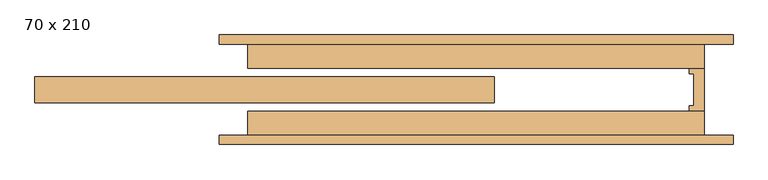
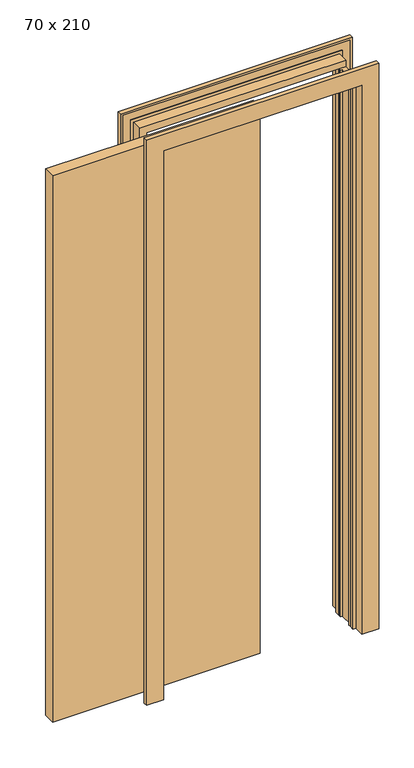
"""IFC4 building model written with IfcOpenShell, lengths in millimetres: door geometry, 70 x 210."""

from ifc_helpers import new_model, si_unit, origin, origin_with_axes, place, context, project, spatial, polyline, outline, extrude, faceted_brep, source, transform, mapped, element, save


def door_70_x_210_4cb7cccc(model_context):
    return source(origin(), model_context, "Body", "SolidModel", [
        extrude(outline(polyline([(12.8380093, 21.5), (12.8380093, -21.5), (-742.1619907, -21.5), (-742.1619907, 21.5), (12.8380093, 21.5)])), origin_with_axes(), (0.0, 0.0, 1.0), 2100.0),
        extrude(outline(polyline([(357.8380093, 35.0), (357.8380093, -35.0), (332.8380093, -35.0), (332.8380093, -26.0), (340.3380093, -26.0), (340.3380093, 26.0), (332.8380093, 26.0), (332.8380093, 35.0), (357.8380093, 35.0)])), origin_with_axes(), (0.0, 0.0, 1.0), 2100.0),
        faceted_brep([(-439.1619907, -90.0, 0.0), (-439.1619907, -75.0, 0.0), (-432.1679189, -75.0, 0.0), (-432.1679189, -78.0, 0.0), (-402.1619907, -78.0, 0.0), (-402.1619907, -75.0, 0.0), (-392.1619907, -75.0, 0.0), (-392.1619907, -35.0, 0.0), (-367.1619907, -35.0, 0.0), (-367.1619907, -53.5, 0.0), (-377.1619907, -53.5, 0.0), (-377.1619907, -90.0, 0.0), (-439.1619907, -90.0, 2172.0), (-439.1619907, -75.0, 2172.0), (404.8380093, -75.0, 2172.0), (404.8380093, -75.0, 0.0), (397.8439376, -75.0, 0.0), (397.8439376, -75.0, 2165.0059283), (-432.1679189, -75.0, 2165.0059283), (-432.1679189, -78.0, 2165.0059283), (397.8439376, -78.0, 2165.0059283), (397.8439376, -78.0, 0.0), (367.8380093, -78.0, 0.0), (367.8380093, -78.0, 2135.0), (-402.1619907, -78.0, 2135.0), (-402.1619907, -75.0, 2135.0), (367.8380093, -75.0, 2135.0), (367.8380093, -75.0, 0.0), (357.8380093, -75.0, 0.0), (357.8380093, -75.0, 2125.0), (-392.1619907, -75.0, 2125.0), (-392.1619907, -35.0, 2125.0), (357.8380093, -35.0, 2125.0), (357.8380093, -35.0, 0.0), (332.8380093, -35.0, 0.0), (332.8380093, -35.0, 2100.0), (-367.1619907, -35.0, 2100.0), (-367.1619907, -53.5, 2100.0), (332.8380093, -53.5, 2100.0), (332.8380093, -53.5, 0.0), (342.8380093, -53.5, 0.0), (342.8380093, -53.5, 2110.0), (-377.1619907, -53.5, 2110.0), (-377.1619907, -90.0, 2110.0), (342.8380093, -90.0, 2110.0), (342.8380093, -90.0, 0.0), (404.8380093, -90.0, 0.0), (404.8380093, -90.0, 2172.0)], [[[0, 1, 2, 3, 4, 5, 6, 7, 8, 9, 10, 11]], [[1, 0, 12, 13]], [[2, 1, 13, 14, 15, 16, 17, 18]], [[3, 2, 18, 19]], [[4, 3, 19, 20, 21, 22, 23, 24]], [[5, 4, 24, 25]], [[6, 5, 25, 26, 27, 28, 29, 30]], [[7, 6, 30, 31]], [[8, 7, 31, 32, 33, 34, 35, 36]], [[9, 8, 36, 37]], [[10, 9, 37, 38, 39, 40, 41, 42]], [[11, 10, 42, 43]], [[0, 11, 43, 44, 45, 46, 47, 12]], [[14, 47, 46, 15]], [[46, 45, 40, 39, 34, 33, 28, 27, 22, 21, 16, 15]], [[20, 17, 16, 21]], [[26, 23, 22, 27]], [[32, 29, 28, 33]], [[38, 35, 34, 39]], [[44, 41, 40, 45]], [[13, 12, 47, 14]], [[19, 18, 17, 20]], [[25, 24, 23, 26]], [[31, 30, 29, 32]], [[37, 36, 35, 38]], [[43, 42, 41, 44]]]),
        faceted_brep([(-439.1619907, 75.0, 0.0), (-439.1619907, 90.0, 0.0), (-377.1619907, 90.0, 0.0), (-377.1619907, 53.5, 0.0), (-367.1619907, 53.5, 0.0), (-367.1619907, 35.0, 0.0), (-392.1619907, 35.0, 0.0), (-392.1619907, 75.0, 0.0), (-402.1619907, 75.0, 0.0), (-402.1619907, 78.0, 0.0), (-432.0884701, 78.0, 0.0), (-432.0884701, 75.0, 0.0), (-439.1619907, 75.0, 2172.0), (-439.1619907, 90.0, 2172.0), (404.8380093, 90.0, 2172.0), (404.8380093, 90.0, 0.0), (342.8380093, 90.0, 0.0), (342.8380093, 90.0, 2110.0), (-377.1619907, 90.0, 2110.0), (-377.1619907, 53.5, 2110.0), (342.8380093, 53.5, 2110.0), (342.8380093, 53.5, 0.0), (332.8380093, 53.5, 0.0), (332.8380093, 53.5, 2100.0), (-367.1619907, 53.5, 2100.0), (-367.1619907, 35.0, 2100.0), (332.8380093, 35.0, 2100.0), (332.8380093, 35.0, 0.0), (357.8380093, 35.0, 0.0), (357.8380093, 35.0, 2125.0), (-392.1619907, 35.0, 2125.0), (-392.1619907, 75.0, 2125.0), (357.8380093, 75.0, 2125.0), (357.8380093, 75.0, 0.0), (367.8380093, 75.0, 0.0), (367.8380093, 75.0, 2135.0), (-402.1619907, 75.0, 2135.0), (-402.1619907, 78.0, 2135.0), (367.8380093, 78.0, 2135.0), (367.8380093, 78.0, 0.0), (397.7644888, 78.0, 0.0), (397.7644888, 78.0, 2164.9264794), (-432.0884701, 78.0, 2164.9264794), (-432.0884701, 75.0, 2164.9264794), (397.7644888, 75.0, 2164.9264794), (397.7644888, 75.0, 0.0), (404.8380093, 75.0, 0.0), (404.8380093, 75.0, 2172.0)], [[[0, 1, 2, 3, 4, 5, 6, 7, 8, 9, 10, 11]], [[1, 0, 12, 13]], [[2, 1, 13, 14, 15, 16, 17, 18]], [[3, 2, 18, 19]], [[4, 3, 19, 20, 21, 22, 23, 24]], [[5, 4, 24, 25]], [[6, 5, 25, 26, 27, 28, 29, 30]], [[7, 6, 30, 31]], [[8, 7, 31, 32, 33, 34, 35, 36]], [[9, 8, 36, 37]], [[10, 9, 37, 38, 39, 40, 41, 42]], [[11, 10, 42, 43]], [[0, 11, 43, 44, 45, 46, 47, 12]], [[14, 47, 46, 15]], [[46, 45, 40, 39, 34, 33, 28, 27, 22, 21, 16, 15]], [[20, 17, 16, 21]], [[26, 23, 22, 27]], [[32, 29, 28, 33]], [[38, 35, 34, 39]], [[44, 41, 40, 45]], [[13, 12, 47, 14]], [[19, 18, 17, 20]], [[25, 24, 23, 26]], [[31, 30, 29, 32]], [[37, 36, 35, 38]], [[43, 42, 41, 44]]]),
    ])


if __name__ == "__main__":
    model = new_model("IFC4")
    model_context = context("Model", 3, world=origin())
    ifc_project = project(units=[si_unit("LENGTHUNIT", "METRE", prefix="MILLI")], contexts=[model_context])
    site = spatial("IfcSite", under=ifc_project)
    building = spatial("IfcBuilding", under=site)
    placement = place(None, origin())
    door_70_x_210_shape = door_70_x_210_4cb7cccc(model_context)
    element("IfcDoor", 1, ObjectType="70 x 210", at=placement, inside=building, context=model_context, shape_type="MappedRepresentation", body=[
        mapped(door_70_x_210_shape, transform((0.0, 0.0, 0.0), x_axis=(1.0, 0.0, 0.0), y_axis=(0.0, 1.0, 0.0), z_axis=(0.0, 0.0, 1.0))),
    ])
    save(model, "model.ifc")
